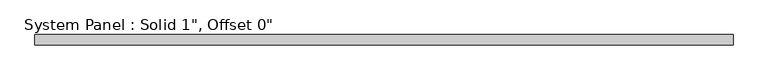
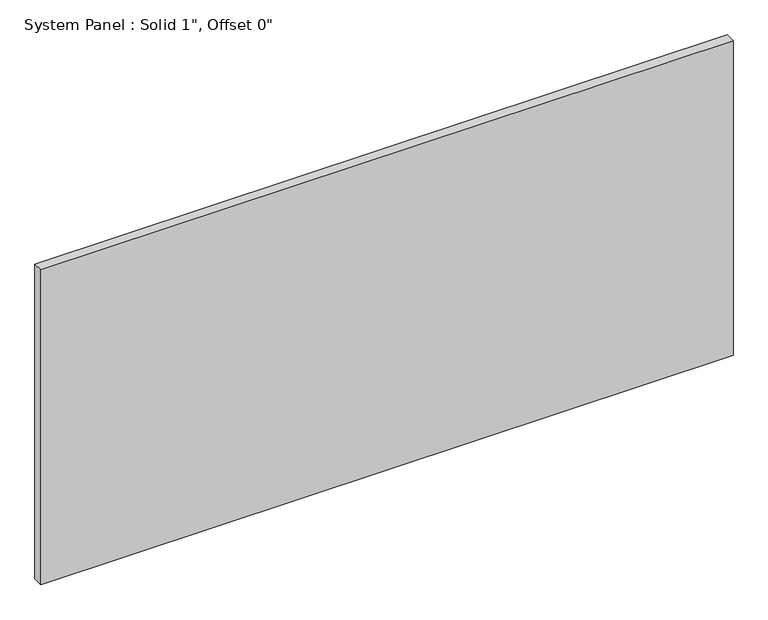
"""IFC4 building model written with IfcOpenShell, lengths in millimetres: plate geometry."""

from ifc_helpers import new_model, si_unit, origin, origin_with_axes, place, context, project, spatial, polyline, outline, extrude, source, transform, mapped, element, save


def plate_4d28582a(model_context):
    return source(origin(), model_context, "Body", "SweptSolid", [
        extrude(outline(polyline([(875.3667241, -12.7), (-875.3667241, -12.7), (-875.3667241, 12.7), (875.3667241, 12.7), (875.3667241, -12.7)])), origin_with_axes(), (0.0, 0.0, 1.0), 841.2513506),
    ])


if __name__ == "__main__":
    model = new_model("IFC4")
    model_context = context("Model", 3, world=origin())
    ifc_project = project(units=[si_unit("LENGTHUNIT", "METRE", prefix="MILLI")], contexts=[model_context])
    site = spatial("IfcSite", under=ifc_project)
    building = spatial("IfcBuilding", under=site)
    placement = place(None, origin())
    plate_shape = plate_4d28582a(model_context)
    element("IfcPlate", 1, ObjectType="System Panel : Solid 1\", Offset 0\"", at=placement, inside=building, context=model_context, shape_type="MappedRepresentation", body=[
        mapped(plate_shape, transform((0.0, 0.0, 0.0), x_axis=(1.0, 0.0, 0.0), y_axis=(0.0, 1.0, 0.0), z_axis=(0.0, 0.0, 1.0))),
    ])
    save(model, "model.ifc")
